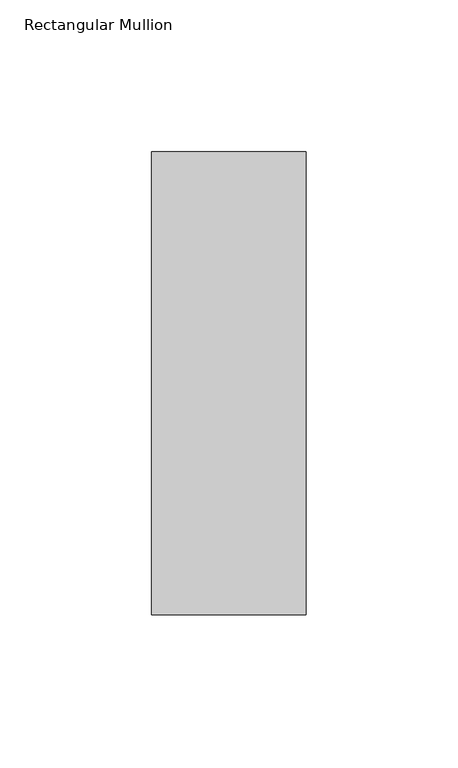
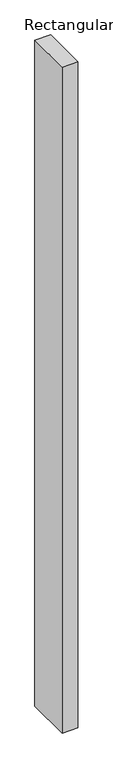
"""IFC4 building model written with IfcOpenShell, lengths in millimetres: member geometry, Rectangular Mullion."""

from ifc_helpers import new_model, si_unit, frame, origin, place, context, project, spatial, polyline, outline, extrude, source, transform, mapped, element, save


def rectangular_mullion_d9099c3a(model_context):
    return source(origin(), model_context, "Body", "SweptSolid", [
        extrude(outline(polyline([(0.0, -26.19375), (-50.8, -26.19375), (-50.8, 126.20625), (0.0, 126.20625), (0.0, -26.19375)])), frame((0.0, 0.0, -2286.0), z_axis=(0.0, 0.0, 1.0), x_axis=(1.0, 0.0, 0.0)), (0.0, 0.0, 1.0), 2286.0),
    ])


if __name__ == "__main__":
    model = new_model("IFC4")
    model_context = context("Model", 3, world=origin())
    ifc_project = project(units=[si_unit("LENGTHUNIT", "METRE", prefix="MILLI")], contexts=[model_context])
    site = spatial("IfcSite", under=ifc_project)
    building = spatial("IfcBuilding", under=site)
    placement = place(None, origin())
    rectangular_mullion_shape = rectangular_mullion_d9099c3a(model_context)
    element("IfcMember", 1, ObjectType="Rectangular Mullion", at=placement, inside=building, context=model_context, shape_type="MappedRepresentation", body=[
        mapped(rectangular_mullion_shape, transform((0.0, 0.0, 0.0), x_axis=(1.0, 0.0, 0.0), y_axis=(0.0, 1.0, 0.0), z_axis=(0.0, 0.0, 1.0))),
    ])
    save(model, "model.ifc")
